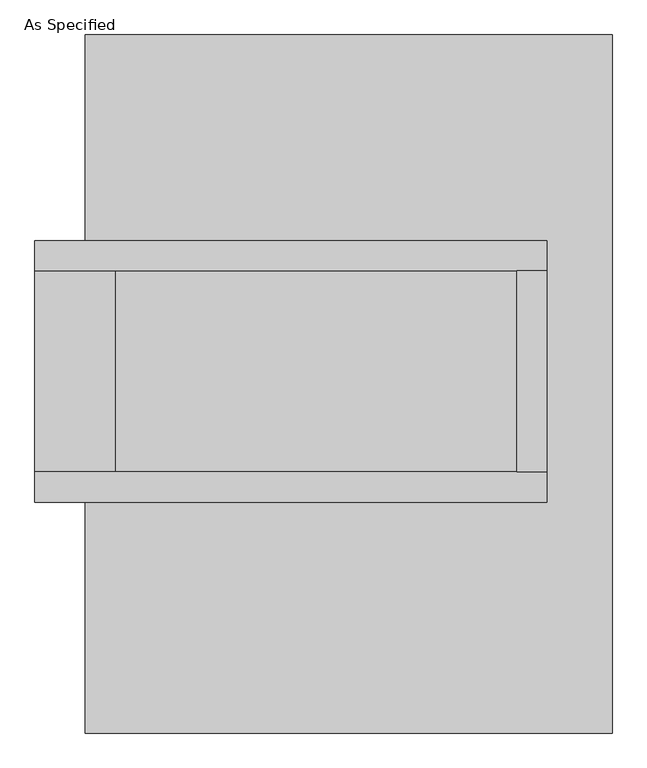
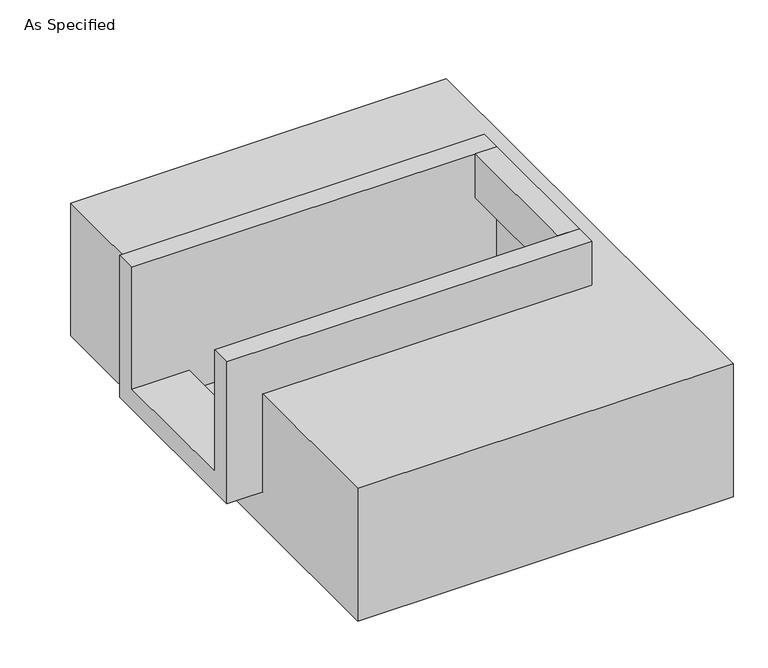
"""IFC4 building model written with IfcOpenShell, lengths in millimetres: proxy geometry, As Specified."""

from ifc_helpers import new_model, si_unit, frame, origin, place, context, project, spatial, polyline, outline, extrude, faceted_brep, source, transform, mapped, element, save


def as_specified_d87fb243(model_context):
    return source(origin(), model_context, "Body", "SolidModel", [
        extrude(outline(polyline([(425.45, 285.75), (501.65, 285.75), (501.65, -222.25), (425.45, -222.25), (425.45, 285.75)])), frame((0.0, 0.0, -25.4), z_axis=(0.0, 0.0, 1.0), x_axis=(1.0, 0.0, 0.0)), (0.0, 0.0, 1.0), 165.1),
        faceted_brep([(501.65, 285.75, 139.7), (501.65, 285.75, -317.5), (501.65, -222.25, -317.5), (501.65, -222.25, 139.7), (501.65, -298.45, 139.7), (501.65, -298.45, -393.7), (501.65, 361.95, -393.7), (501.65, 361.95, 139.7), (-793.75, 285.75, 139.7), (-793.75, 361.95, 139.7), (-793.75, 361.95, -393.7), (-793.75, -298.45, -393.7), (-793.75, -298.45, 139.7), (-793.75, -222.25, 139.7), (-793.75, -222.25, -317.5), (-793.75, 285.75, -317.5), (-590.55, 285.75, -393.7), (-590.55, -222.25, -393.7), (425.45, -222.25, -393.7), (425.45, 285.75, -393.7), (425.45, -222.25, -317.5), (-590.55, -222.25, -317.5), (425.45, 285.75, -317.5), (-590.55, 285.75, -317.5)], [[[0, 1, 2, 3, 4, 5, 6, 7]], [[8, 9, 10, 11, 12, 13, 14, 15]], [[0, 7, 9, 8]], [[7, 6, 10, 9]], [[6, 5, 11, 10], [16, 17, 18, 19]], [[4, 3, 13, 12]], [[3, 2, 20, 18, 17, 21, 14, 13]], [[2, 1, 22, 20]], [[15, 14, 21, 23]], [[1, 0, 8, 15, 23, 16, 19, 22]], [[21, 17, 16, 23]], [[18, 20, 22, 19]], [[5, 4, 12, 11]]]),
        faceted_brep([(-666.75, 882.65, -523.9742188), (666.75, 882.65, -523.9742188), (666.75, -882.65, -523.9742188), (-666.75, -882.65, -523.9742188), (666.75, 882.65, -25.4), (-666.75, 882.65, -25.4), (-666.75, 361.95, -25.4), (501.65, 361.95, -25.4), (501.65, -298.45, -25.4), (-666.75, -298.45, -25.4), (-666.75, -882.65, -25.4), (666.75, -882.65, -25.4), (-666.75, -298.45, -393.7), (-666.75, 361.95, -393.7), (501.65, 361.95, -393.7), (501.65, -298.45, -393.7)], [[[0, 1, 2, 3]], [[4, 5, 6, 7, 8, 9, 10, 11]], [[1, 0, 5, 4]], [[5, 0, 3, 10, 9, 12, 13, 6]], [[1, 4, 11, 2]], [[3, 2, 11, 10]], [[14, 15, 8, 7]], [[13, 14, 7, 6]], [[15, 14, 13, 12]], [[15, 12, 9, 8]]]),
    ])


if __name__ == "__main__":
    model = new_model("IFC4")
    model_context = context("Model", 3, world=origin())
    ifc_project = project(units=[si_unit("LENGTHUNIT", "METRE", prefix="MILLI")], contexts=[model_context])
    site = spatial("IfcSite", under=ifc_project)
    building = spatial("IfcBuilding", under=site)
    placement = place(None, origin())
    as_specified_shape = as_specified_d87fb243(model_context)
    element("IfcBuildingElementProxy", 1, Name="As Specified", ObjectType="As Specified", at=placement, inside=building, context=model_context, shape_type="MappedRepresentation", body=[
        mapped(as_specified_shape, transform((0.0, 0.0, 0.0), x_axis=(1.0, 0.0, 0.0), y_axis=(0.0, 1.0, 0.0), z_axis=(0.0, 0.0, 1.0))),
    ])
    save(model, "model.ifc")
